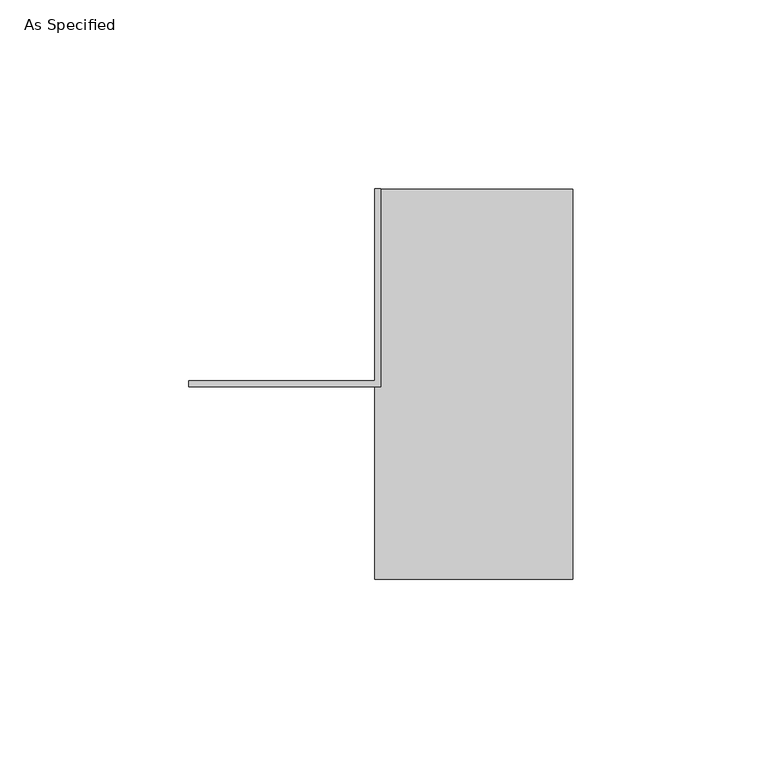
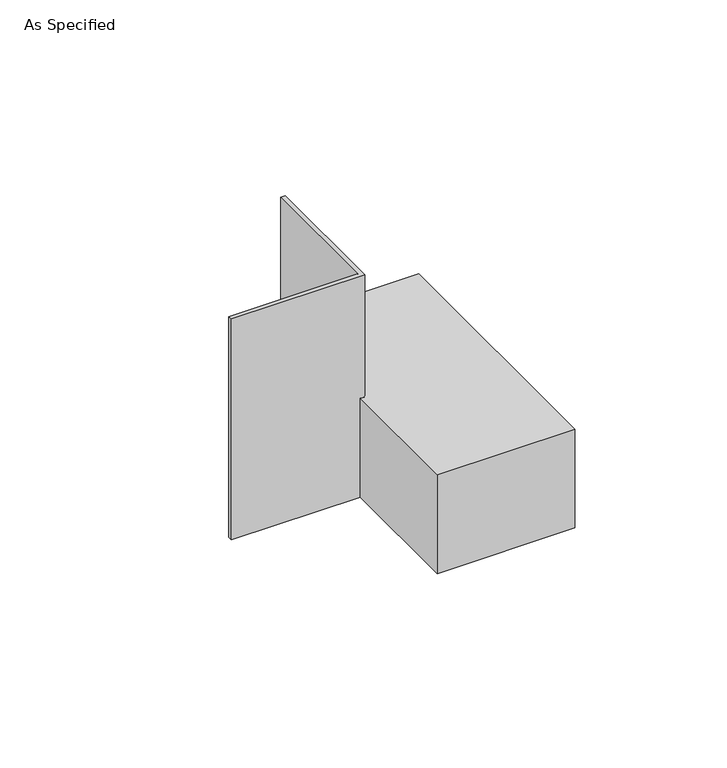
"""IFC4 building model written with IfcOpenShell, lengths in millimetres: proxy geometry, As Specified."""

from ifc_helpers import new_model, si_unit, origin, place, context, project, spatial, faceted_brep, source, transform, mapped, element, save


def as_specified_83f31cff(model_context):
    return source(origin(), model_context, "Body", "Brep", [
        faceted_brep([(0.0, 50.8, 50.8), (0.0, 50.8, 1.5875), (50.8, 50.8, 1.5875), (50.8, 50.8, 0.0), (-1.5875, 50.8, 0.0), (-1.5875, 50.8, 50.8), (0.0, -1.5875, 50.8), (0.0, -1.5875, 1.5875), (50.8, -50.8, 0.0), (0.0, -50.8, 0.0), (0.0, -1.5875, 0.0), (0.0, 0.0, 0.0), (-1.5875, 0.0, 0.0), (50.8, -52.3875, 1.5875), (50.8, -52.3875, -38.1), (50.8, -50.8, -38.1), (-1.5875, -1.5875, 1.5875), (-1.5875, -52.3875, 1.5875), (-1.5875, 0.0, 50.8), (-1.5875, -1.5875, -38.1), (-1.5875, -52.3875, -38.1), (-50.8, 0.0, 50.8), (-50.8, -1.5875, 50.8), (0.0, 0.0, -38.1), (-50.8, 0.0, -38.1), (0.0, -50.8, -38.1), (-50.8, -1.5875, -38.1)], [[[0, 1, 2, 3, 4, 5]], [[1, 0, 6, 7]], [[4, 3, 8, 9, 10, 11, 12]], [[3, 2, 13, 14, 15, 8]], [[13, 2, 1, 7, 16, 17]], [[5, 4, 12, 18]], [[17, 16, 19, 20]], [[0, 5, 18, 21, 22, 6]], [[11, 23, 24, 21, 18, 12]], [[23, 11, 10, 9, 25]], [[26, 24, 23, 25, 15, 14, 20, 19]], [[6, 22, 26, 19, 16, 7]], [[26, 22, 21, 24]], [[8, 15, 25, 9]], [[13, 17, 20, 14]]]),
    ])


if __name__ == "__main__":
    model = new_model("IFC4")
    model_context = context("Model", 3, world=origin())
    ifc_project = project(units=[si_unit("LENGTHUNIT", "METRE", prefix="MILLI")], contexts=[model_context])
    site = spatial("IfcSite", under=ifc_project)
    building = spatial("IfcBuilding", under=site)
    placement = place(None, origin())
    as_specified_shape = as_specified_83f31cff(model_context)
    element("IfcBuildingElementProxy", 1, Name="As Specified", ObjectType="As Specified", at=placement, inside=building, context=model_context, shape_type="MappedRepresentation", body=[
        mapped(as_specified_shape, transform((0.0, 0.0, 0.0), x_axis=(1.0, 0.0, 0.0), y_axis=(0.0, 1.0, 0.0), z_axis=(0.0, 0.0, 1.0))),
    ])
    save(model, "model.ifc")
